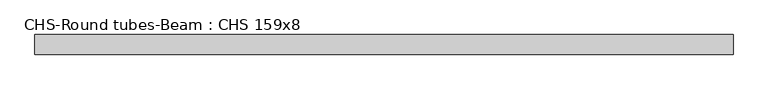
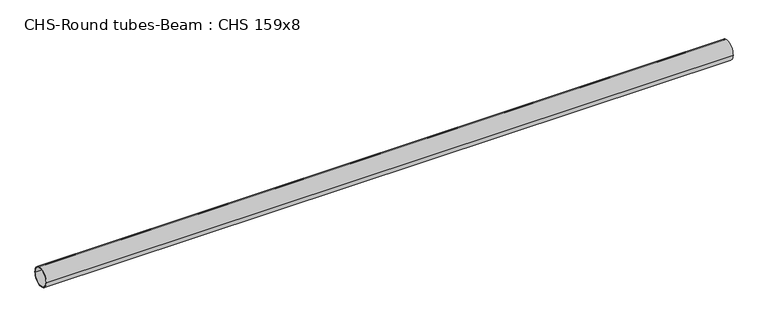
"""IFC4 building model written with IfcOpenShell, lengths in millimetres: beam geometry, CHS-Round tubes-Beam : CHS 159x8."""

from ifc_helpers import new_model, si_unit, point, frame, origin, origin_2d, place, context, project, spatial, circle_curve, trimmed, segment, composite_curve, outline, extrude, source, transform, mapped, element, save


def chs_round_tubes_beam_chs_159x8_cfea9b87(model_context):
    return source(origin(), model_context, "Body", "SweptSolid", [
        extrude(outline(composite_curve([segment(trimmed(circle_curve(origin_2d(), 79.5), [point((79.5, 0.0))], [point((-79.5, 0.0))], False, "CARTESIAN"), True, "CONTINUOUS"), segment(trimmed(circle_curve(origin_2d(), 79.5), [point((-79.5, 0.0))], [point((79.5, 0.0))], False, "CARTESIAN"), True, "CONTINUOUS")], self_intersect=False), holes=[composite_curve([segment(trimmed(circle_curve(origin_2d(), 71.5), [point((71.5, 0.0))], [point((-71.5, 0.0))], True, "CARTESIAN"), True, "CONTINUOUS"), segment(trimmed(circle_curve(origin_2d(), 71.5), [point((-71.5, 0.0))], [point((71.5, 0.0))], True, "CARTESIAN"), True, "CONTINUOUS")], self_intersect=False)]), frame((-2823.1514432, 0.0, 0.0), z_axis=(1.0, 0.0, 0.0), x_axis=(0.0, 1.0, 0.0)), (0.0, 0.0, 1.0), 5652.1825409),
    ])


if __name__ == "__main__":
    model = new_model("IFC4")
    model_context = context("Model", 3, world=origin())
    ifc_project = project(units=[si_unit("LENGTHUNIT", "METRE", prefix="MILLI")], contexts=[model_context])
    site = spatial("IfcSite", under=ifc_project)
    building = spatial("IfcBuilding", under=site)
    placement = place(None, origin())
    chs_round_tubes_beam_chs_159x8_shape = chs_round_tubes_beam_chs_159x8_cfea9b87(model_context)
    element("IfcBeam", 1, ObjectType="CHS-Round tubes-Beam : CHS 159x8", at=placement, inside=building, context=model_context, shape_type="MappedRepresentation", body=[
        mapped(chs_round_tubes_beam_chs_159x8_shape, transform((0.0, 0.0, 0.0), x_axis=(1.0, 0.0, 0.0), y_axis=(0.0, 1.0, 0.0), z_axis=(0.0, 0.0, 1.0))),
    ])
    save(model, "model.ifc")
